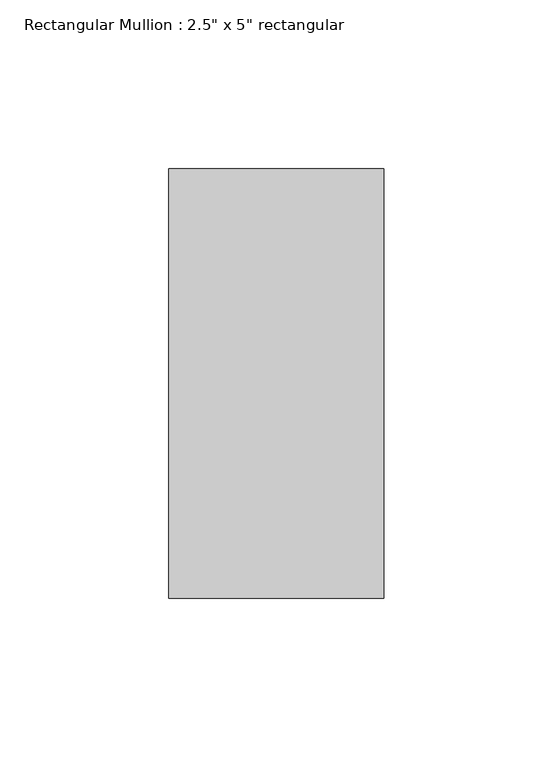
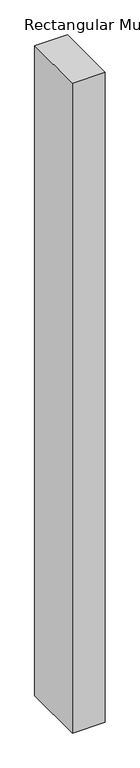
"""IFC4 building model written with IfcOpenShell, lengths in millimetres: member geometry."""

from ifc_helpers import new_model, si_unit, frame, origin, place, context, project, spatial, polyline, outline, extrude, source, transform, mapped, element, save


def member_83b3fc77(model_context):
    return source(origin(), model_context, "Body", "SweptSolid", [
        extrude(outline(polyline([(0.0, 63.5), (0.0, -63.5), (-63.5, -63.5), (-63.5, 63.5), (0.0, 63.5)])), frame((0.0, 0.0, -1338.5683586), z_axis=(0.0, 0.0, 1.0), x_axis=(1.0, 0.0, 0.0)), (0.0, 0.0, 1.0), 1338.5683586),
    ])


if __name__ == "__main__":
    model = new_model("IFC4")
    model_context = context("Model", 3, world=origin())
    ifc_project = project(units=[si_unit("LENGTHUNIT", "METRE", prefix="MILLI")], contexts=[model_context])
    site = spatial("IfcSite", under=ifc_project)
    building = spatial("IfcBuilding", under=site)
    placement = place(None, origin())
    member_shape = member_83b3fc77(model_context)
    element("IfcMember", 1, ObjectType="Rectangular Mullion : 2.5\" x 5\" rectangular", at=placement, inside=building, context=model_context, shape_type="MappedRepresentation", body=[
        mapped(member_shape, transform((0.0, 0.0, 0.0), x_axis=(1.0, 0.0, 0.0), y_axis=(0.0, 1.0, 0.0), z_axis=(0.0, 0.0, 1.0))),
    ])
    save(model, "model.ifc")
